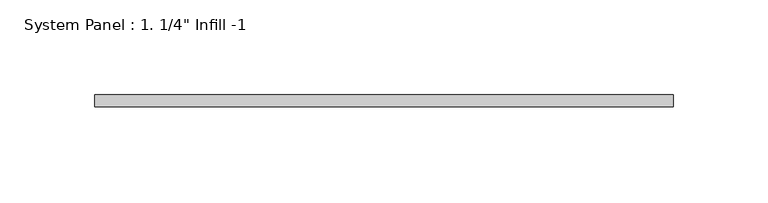
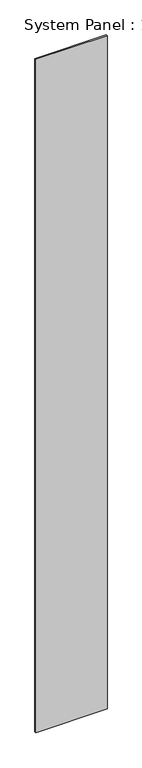
"""IFC4 building model written with IfcOpenShell, lengths in millimetres: plate geometry."""

from ifc_helpers import new_model, si_unit, origin, origin_with_axes, place, context, project, spatial, polyline, outline, extrude, source, transform, mapped, element, save


def plate_2b4016bd(model_context):
    return source(origin(), model_context, "Body", "SweptSolid", [
        extrude(outline(polyline([(152.4445092, 19.05), (-152.4445092, 19.05), (-152.4445092, 25.4), (152.4445092, 25.4), (152.4445092, 19.05)])), origin_with_axes(), (0.0, 0.0, 1.0), 3048.0),
    ])


if __name__ == "__main__":
    model = new_model("IFC4")
    model_context = context("Model", 3, world=origin())
    ifc_project = project(units=[si_unit("LENGTHUNIT", "METRE", prefix="MILLI")], contexts=[model_context])
    site = spatial("IfcSite", under=ifc_project)
    building = spatial("IfcBuilding", under=site)
    placement = place(None, origin())
    plate_shape = plate_2b4016bd(model_context)
    element("IfcPlate", 1, ObjectType="System Panel : 1. 1/4\" Infill -1", at=placement, inside=building, context=model_context, shape_type="MappedRepresentation", body=[
        mapped(plate_shape, transform((0.0, 0.0, 0.0), x_axis=(1.0, 0.0, 0.0), y_axis=(0.0, 1.0, 0.0), z_axis=(0.0, 0.0, 1.0))),
    ])
    save(model, "model.ifc")
